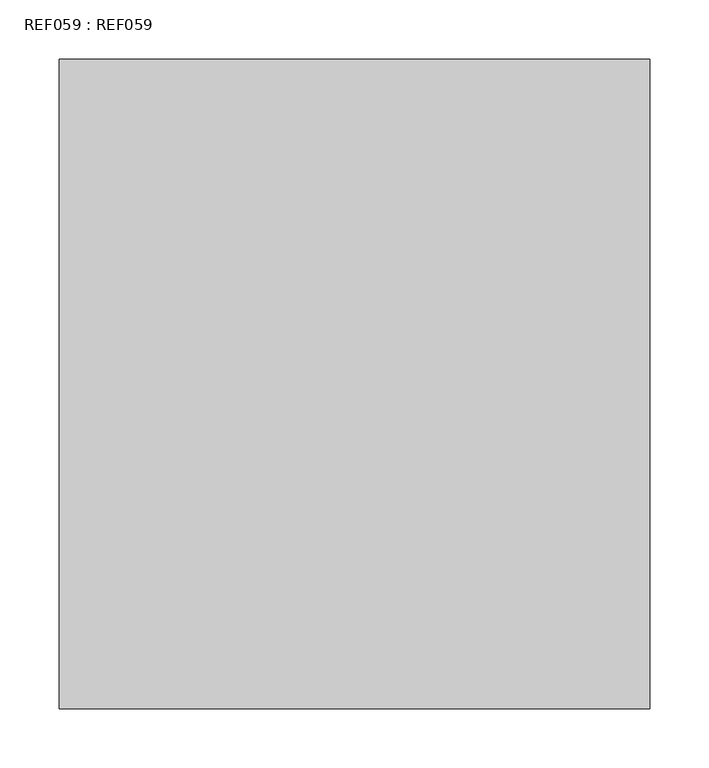
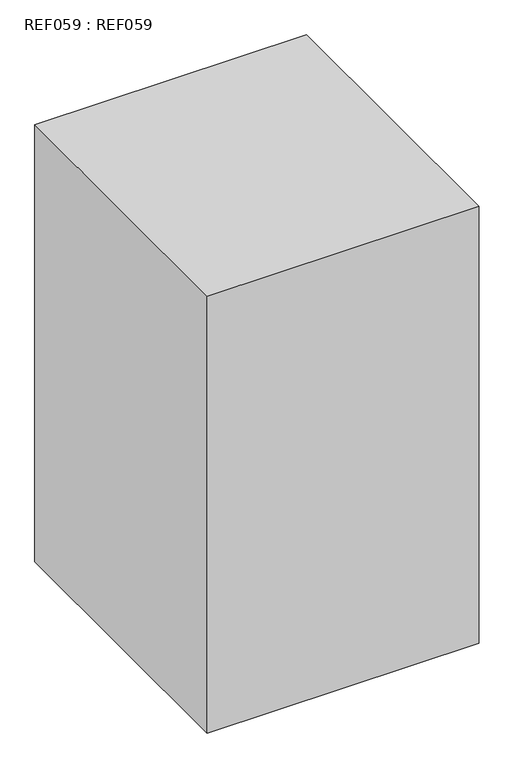
"""IFC4 building model written with IfcOpenShell, lengths in millimetres: proxy geometry, REF059 : REF059."""

from ifc_helpers import new_model, si_unit, origin, origin_with_axes, place, context, project, spatial, polyline, outline, extrude, source, transform, mapped, element, save


def ref059_ref059_905b2439(model_context):
    return source(origin(), model_context, "Body", "SweptSolid", [
        extrude(outline(polyline([(500.0, -50.0), (500.0, -600.0), (0.0, -600.0), (0.0, -50.0), (500.0, -50.0)])), origin_with_axes(), (0.0, 0.0, 1.0), 850.0),
    ])


if __name__ == "__main__":
    model = new_model("IFC4")
    model_context = context("Model", 3, world=origin())
    ifc_project = project(units=[si_unit("LENGTHUNIT", "METRE", prefix="MILLI")], contexts=[model_context])
    site = spatial("IfcSite", under=ifc_project)
    building = spatial("IfcBuilding", under=site)
    placement = place(None, origin())
    ref059_ref059_shape = ref059_ref059_905b2439(model_context)
    element("IfcBuildingElementProxy", 1, Name="REF059 : REF059", ObjectType="REF059 : REF059", at=placement, inside=building, context=model_context, shape_type="MappedRepresentation", body=[
        mapped(ref059_ref059_shape, transform((0.0, 0.0, 0.0), x_axis=(1.0, 0.0, 0.0), y_axis=(0.0, 1.0, 0.0), z_axis=(0.0, 0.0, 1.0))),
    ])
    save(model, "model.ifc")
